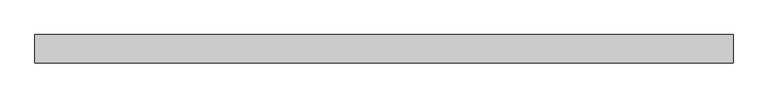
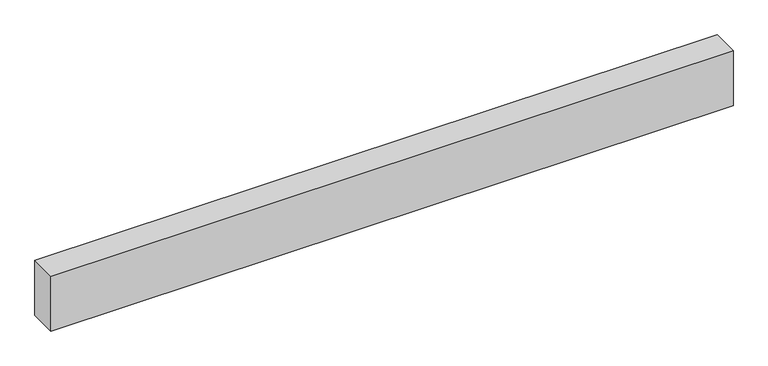
"""IFC4 building model written with IfcOpenShell, lengths in millimetres: beam geometry."""

from ifc_helpers import new_model, si_unit, frame, origin, place, context, project, spatial, polyline, outline, extrude, source, transform, mapped, element, save


def beam_aee6214a(model_context):
    return source(origin(), model_context, "Body", "SweptSolid", [
        extrude(outline(polyline([(4572.0, 180.975), (4572.0, -180.975), (-4391.025, -180.975), (-4391.025, 180.975), (4572.0, 180.975)])), frame((0.0, 0.0, -381.0), z_axis=(0.0, 0.0, 1.0), x_axis=(1.0, 0.0, 0.0)), (0.0, 0.0, 1.0), 762.0),
    ])


if __name__ == "__main__":
    model = new_model("IFC4")
    model_context = context("Model", 3, world=origin())
    ifc_project = project(units=[si_unit("LENGTHUNIT", "METRE", prefix="MILLI")], contexts=[model_context])
    site = spatial("IfcSite", under=ifc_project)
    building = spatial("IfcBuilding", under=site)
    placement = place(None, origin())
    beam_shape = beam_aee6214a(model_context)
    element("IfcBeam", 1, at=placement, inside=building, context=model_context, shape_type="MappedRepresentation", body=[
        mapped(beam_shape, transform((0.0, 0.0, 0.0), x_axis=(1.0, 0.0, 0.0), y_axis=(0.0, 1.0, 0.0), z_axis=(0.0, 0.0, 1.0))),
    ])
    save(model, "model.ifc")
